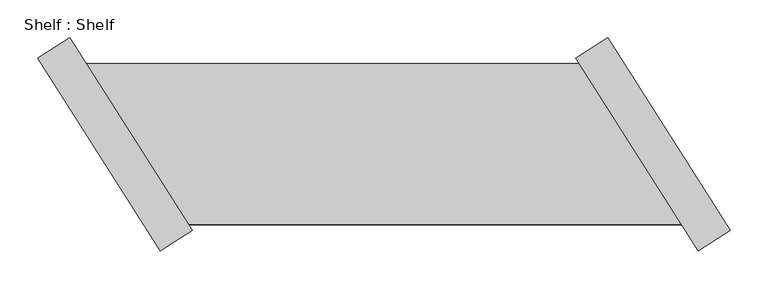
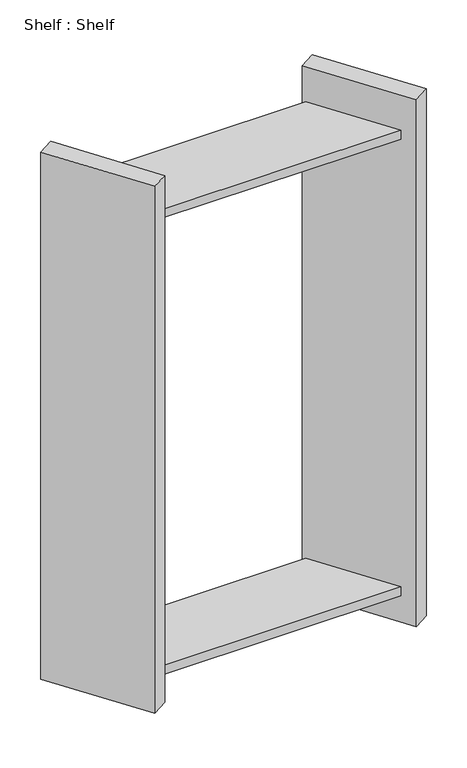
"""IFC4 building model written with IfcOpenShell, lengths in millimetres: proxy geometry, Shelf : Shelf."""

from ifc_helpers import new_model, si_unit, origin, place, context, project, spatial, faceted_brep, source, transform, mapped, element, save


def shelf_shelf_52263da5(model_context):
    return source(origin(), model_context, "Body", "Brep", [
        faceted_brep([(-493.9971902, 107.217984, 1422.4), (-493.9971902, 107.217984, 1397.0), (-1149.921247, 107.217984, 1397.0), (-1149.921247, 107.217984, 1422.4), (-357.8604368, -107.217984, 1397.0), (-1013.7844935, -107.217984, 1397.0), (-357.8604368, -107.217984, 1422.4), (-1013.7844935, -107.217984, 1422.4), (-456.0808982, 142.2752561, 0.0), (-292.716794, -115.0479054, 0.0), (-335.6039876, -142.2752561, 0.0), (-498.9680918, 115.0479054, 0.0), (-292.716794, -115.0479054, 1524.0), (-335.6039876, -142.2752561, 1524.0), (-456.0808982, 142.2752561, 1524.0), (-498.9680918, 115.0479054, 1524.0), (-357.8604368, -107.217984, 76.2), (-493.9971902, 107.217984, 76.2), (-493.9971902, 107.217984, 101.6), (-357.8604368, -107.217984, 101.6), (-1013.7844935, -107.217984, 76.2), (-1149.921247, 107.217984, 76.2), (-1013.7844935, -107.217984, 101.6), (-1149.921247, 107.217984, 101.6), (-1051.7007855, -142.2752561, 0.0), (-1215.0648897, 115.0479054, 0.0), (-1172.1776961, 142.2752561, 0.0), (-1008.8135919, -115.0479054, 0.0), (-1008.8135919, -115.0479054, 1524.0), (-1051.7007855, -142.2752561, 1524.0), (-1172.1776961, 142.2752561, 1524.0), (-1215.0648897, 115.0479054, 1524.0)], [[[0, 1, 2, 3]], [[1, 4, 5, 2]], [[4, 6, 7, 5]], [[6, 0, 3, 7]], [[8, 9, 10, 11]], [[10, 9, 12, 13]], [[13, 12, 14, 15]], [[8, 11, 15, 14]], [[11, 10, 13, 15], [1, 0, 6, 4], [16, 17, 18, 19]], [[9, 8, 14, 12]], [[17, 16, 20, 21]], [[16, 19, 22, 20]], [[19, 18, 23, 22]], [[18, 17, 21, 23]], [[24, 25, 26, 27]], [[24, 27, 28, 29]], [[29, 28, 30, 31]], [[26, 25, 31, 30]], [[27, 26, 30, 28], [3, 2, 5, 7], [21, 20, 22, 23]], [[25, 24, 29, 31]]]),
    ])


if __name__ == "__main__":
    model = new_model("IFC4")
    model_context = context("Model", 3, world=origin())
    ifc_project = project(units=[si_unit("LENGTHUNIT", "METRE", prefix="MILLI")], contexts=[model_context])
    site = spatial("IfcSite", under=ifc_project)
    building = spatial("IfcBuilding", under=site)
    placement = place(None, origin())
    shelf_shelf_shape = shelf_shelf_52263da5(model_context)
    element("IfcBuildingElementProxy", 1, Name="Shelf : Shelf", ObjectType="Shelf : Shelf", at=placement, inside=building, context=model_context, shape_type="MappedRepresentation", body=[
        mapped(shelf_shelf_shape, transform((0.0, 0.0, 0.0), x_axis=(1.0, 0.0, 0.0), y_axis=(0.0, 1.0, 0.0), z_axis=(0.0, 0.0, 1.0))),
    ])
    save(model, "model.ifc")
